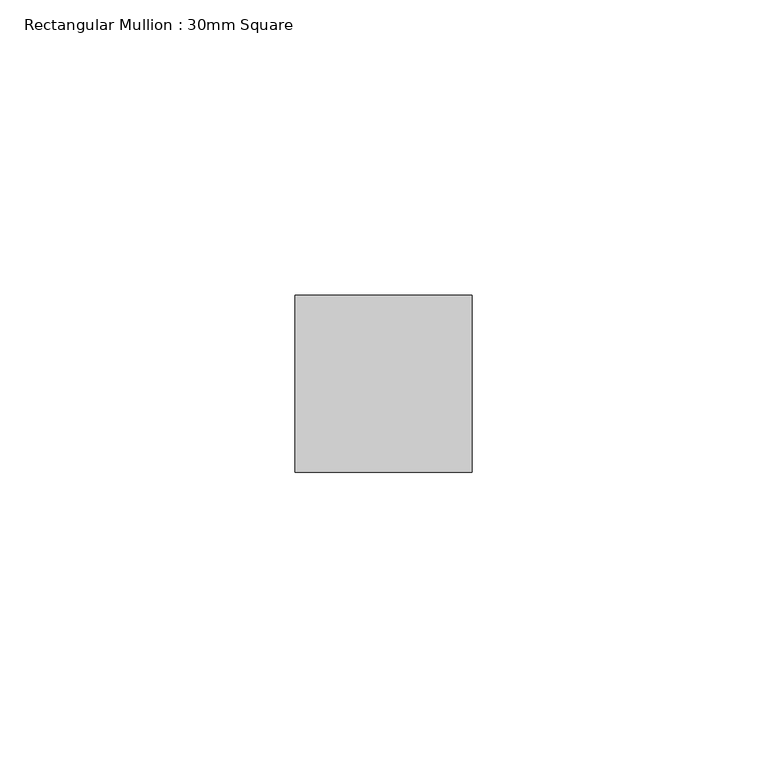
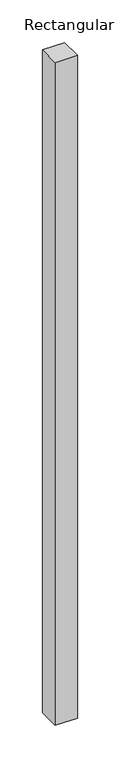
"""IFC4 building model written with IfcOpenShell, lengths in millimetres: member geometry, Rectangular Mullion : 30mm Square."""

from ifc_helpers import new_model, si_unit, frame, origin, place, context, project, spatial, polyline, outline, extrude, source, transform, mapped, element, save


def rectangular_mullion_30mm_square_a5769cf7(model_context):
    return source(origin(), model_context, "Body", "SweptSolid", [
        extrude(outline(polyline([(0.0, 15.0), (0.0, -15.0), (-30.0, -15.0), (-30.0, 15.0), (0.0, 15.0)])), frame((0.0, 0.0, -949.8371184), z_axis=(0.0, 0.0, 1.0), x_axis=(1.0, 0.0, 0.0)), (0.0, 0.0, 1.0), 949.8371184),
    ])


if __name__ == "__main__":
    model = new_model("IFC4")
    model_context = context("Model", 3, world=origin())
    ifc_project = project(units=[si_unit("LENGTHUNIT", "METRE", prefix="MILLI")], contexts=[model_context])
    site = spatial("IfcSite", under=ifc_project)
    building = spatial("IfcBuilding", under=site)
    placement = place(None, origin())
    rectangular_mullion_30mm_square_shape = rectangular_mullion_30mm_square_a5769cf7(model_context)
    element("IfcMember", 1, ObjectType="Rectangular Mullion : 30mm Square", at=placement, inside=building, context=model_context, shape_type="MappedRepresentation", body=[
        mapped(rectangular_mullion_30mm_square_shape, transform((0.0, 0.0, 0.0), x_axis=(1.0, 0.0, 0.0), y_axis=(0.0, 1.0, 0.0), z_axis=(0.0, 0.0, 1.0))),
    ])
    save(model, "model.ifc")
